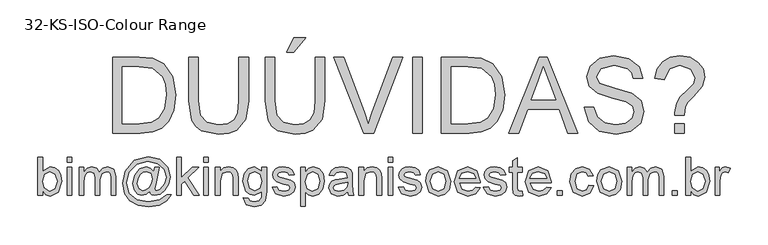
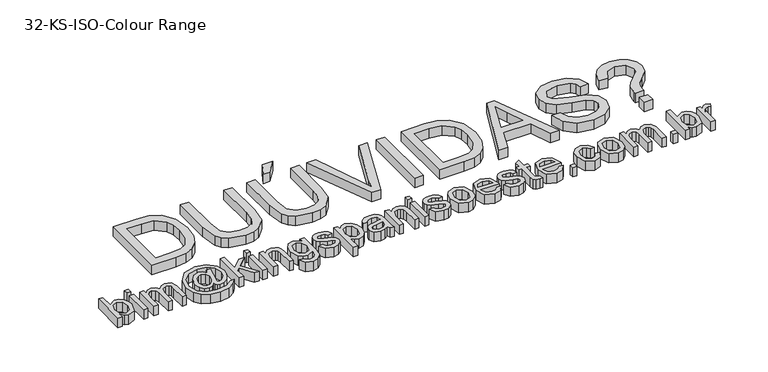
"""IFC4 building model written with IfcOpenShell, lengths in millimetres: proxy geometry, 32-KS-ISO-Colour Range."""

from ifc_helpers import new_model, si_unit, origin, origin_with_axes, place, context, project, spatial, polyline, outline, extrude, source, transform, mapped, element, save


def proxy_32_ks_iso_colour_range_b4f9975d(model_context):
    return source(origin(), model_context, "Body", "SweptSolid", [
        extrude(outline(polyline([(-453.6983218, 38.0446852), (-459.9768412, 38.0446852), (-459.9768412, 88.2728402), (-453.6983218, 88.2728402), (-453.6983218, 69.6457485), (-443.8390844, 75.7158015), (-437.5483022, 74.3485067), (-432.6677344, 70.5041399), (-429.6694962, 64.5260574), (-428.5842443, 57.0396588), (-433.078536, 42.4224809), (-443.8758726, 37.2598702), (-449.4584818, 38.9245363), (-453.6983218, 43.9185343), (-453.6983218, 38.0446852)]), holes=[polyline([(-453.6983218, 56.7453532), (-451.9815392, 47.9652363), (-444.4154328, 43.5383896), (-437.695455, 46.8002766), (-434.8627637, 56.524624), (-437.5789591, 66.2857597), (-444.1456527, 69.4372821), (-450.8656305, 66.1753951), (-453.6983218, 56.7453532)])]), origin_with_axes(), (0.0, 0.0, 1.0), 15.0),
        extrude(outline(polyline([(-421.52091, 38.0446852), (-421.52091, 74.9309865), (-415.2423906, 74.9309865), (-415.2423906, 38.0446852), (-421.52091, 38.0446852)])), origin_with_axes(), (0.0, 0.0, 1.0), 15.0),
        extrude(outline(polyline([(-421.52091, 81.9943208), (-421.52091, 88.2728402), (-415.2423906, 88.2728402), (-415.2423906, 81.9943208), (-421.52091, 81.9943208)])), origin_with_axes(), (0.0, 0.0, 1.0), 15.0),
        extrude(outline(polyline([(-405.8246115, 38.0446852), (-405.8246115, 74.9309865), (-399.5460921, 74.9309865), (-399.5460921, 68.8609336), (-395.2296101, 73.8334719), (-389.0859807, 75.7158015), (-382.7951986, 73.7966837), (-379.3371079, 68.4194752), (-374.438146, 73.8917199), (-368.2515971, 75.7158015), (-360.0416972, 72.680775), (-357.1660863, 63.330441), (-357.1660863, 38.0446852), (-363.4446057, 38.0446852), (-363.4446057, 60.6326397), (-364.0270855, 65.8749581), (-366.1362756, 68.4562634), (-369.7231251, 69.4372821), (-375.8974112, 66.9234218), (-378.3560892, 58.8668061), (-378.3560892, 38.0446852), (-384.6346086, 38.0446852), (-384.6346086, 61.3316155), (-386.0877425, 67.4139311), (-390.8518143, 69.4372821), (-395.4993902, 68.0883814), (-398.5895989, 64.1397813), (-399.5460921, 56.6472514), (-399.5460921, 38.0446852), (-405.8246115, 38.0446852)])), origin_with_axes(), (0.0, 0.0, 1.0), 15.0),
        extrude(outline(polyline([(-312.4316357, 43.795907), (-317.3796485, 39.6204464), (-322.8794843, 38.0446852), (-328.7655963, 39.8473069), (-333.4070408, 45.3900623), (-335.1912684, 53.6060936), (-332.4260221, 64.6425534), (-325.5466288, 72.9444238), (-317.5574581, 75.7158015), (-311.9288636, 74.1400402), (-307.3058132, 69.3391802), (-306.1531163, 74.9309865), (-299.8745969, 74.9309865), (-305.0739958, 51.9015736), (-306.1531163, 46.5918102), (-305.4480091, 44.9915235), (-303.7496206, 44.3232045), (-298.9548919, 46.3097673), (-292.7438176, 53.2688684), (-290.4568178, 62.2881086), (-293.3998738, 72.4171262), (-302.1861221, 79.9525758), (-315.0926488, 82.7791358), (-329.8201913, 79.1922863), (-340.1576754, 68.9099846), (-343.8242326, 54.5625867), (-340.1944636, 40.7363551), (-329.6914326, 32.1769673), (-314.4672494, 29.411721), (-299.4944522, 32.1585732), (-290.4568178, 38.8295001), (-284.1782984, 38.8295001), (-290.1195927, 31.3614956), (-300.144377, 25.346625), (-314.1484183, 23.1332016), (-328.0604891, 25.0891076), (-338.9191393, 30.9629567), (-345.6759053, 39.9944597), (-348.5331221, 53.9739755), (-345.1240823, 69.9032659), (-333.3395957, 84.1219051), (-314.8106059, 89.0576552), (-299.6538677, 85.5995644), (-289.0466035, 75.2866058), (-285.7479283, 62.4720496), (-287.4585796, 53.1493067), (-292.5905334, 44.9240785), (-298.9916801, 39.7645335), (-305.9569126, 38.0446852), (-309.6970462, 38.7681864), (-311.7939736, 40.8283256), (-312.4316357, 43.795907)]), holes=[polyline([(-328.9127491, 53.5079917), (-326.7115885, 46.738963), (-321.6654738, 44.3232045), (-317.6616914, 45.3900623), (-313.6456463, 48.5538475), (-310.5125179, 53.8758737), (-309.292376, 60.3505968), (-311.5793757, 67.0521805), (-317.1527879, 69.4372821), (-321.2362781, 68.4010811), (-324.9457549, 65.0778804), (-327.8274972, 59.5167309), (-328.9127491, 53.5079917)])]), origin_with_axes(), (0.0, 0.0, 1.0), 15.0),
        extrude(outline(polyline([(-277.1149641, 38.0446852), (-277.1149641, 88.2728402), (-270.8364448, 88.2728402), (-270.8364448, 61.2825645), (-256.7588271, 74.9309865), (-248.076812, 74.9309865), (-262.3261079, 61.1108863), (-247.2919971, 38.0446852), (-254.6251115, 38.0446852), (-266.826531, 56.7453532), (-270.8364448, 52.8580668), (-270.8364448, 38.0446852), (-277.1149641, 38.0446852)])), origin_with_axes(), (0.0, 0.0, 1.0), 15.0),
        extrude(outline(polyline([(-241.7982926, 38.0446852), (-241.7982926, 74.9309865), (-235.5197732, 74.9309865), (-235.5197732, 38.0446852), (-241.7982926, 38.0446852)])), origin_with_axes(), (0.0, 0.0, 1.0), 15.0),
        extrude(outline(polyline([(-241.7982926, 81.9943208), (-241.7982926, 88.2728402), (-235.5197732, 88.2728402), (-235.5197732, 81.9943208), (-241.7982926, 81.9943208)])), origin_with_axes(), (0.0, 0.0, 1.0), 15.0),
        extrude(outline(polyline([(-226.1019941, 38.0446852), (-226.1019941, 74.9309865), (-219.8234748, 74.9309865), (-219.8234748, 69.7806386), (-215.0226147, 74.2320107), (-208.4681838, 75.7158015), (-202.5391523, 74.520185), (-198.4924504, 71.3809253), (-196.6101209, 66.7640062), (-196.2790271, 60.6939533), (-196.2790271, 38.0446852), (-202.5575464, 38.0446852), (-202.5575464, 59.8478247), (-203.2810477, 65.4028429), (-205.8378276, 68.3397675), (-210.1481783, 69.4372821), (-216.9601266, 66.9724727), (-219.8234748, 57.6160073), (-219.8234748, 38.0446852), (-226.1019941, 38.0446852)])), origin_with_axes(), (0.0, 0.0, 1.0), 15.0),
        extrude(outline(polyline([(-189.2156928, 34.9054255), (-182.9371734, 34.1206105), (-180.9015597, 30.8096726), (-174.8069813, 29.411721), (-168.3813091, 30.9936136), (-165.3156258, 35.432723), (-164.8864301, 42.7535747), (-174.6966167, 38.0446852), (-181.169807, 39.4150456), (-185.9967253, 43.5261269), (-190.0005077, 56.6717768), (-188.2040173, 66.4022556), (-183.0046184, 73.2877803), (-175.003185, 75.7158015), (-164.8864301, 70.222097), (-164.8864301, 74.9309865), (-158.6079108, 74.9309865), (-158.6079108, 43.0846685), (-160.3246934, 30.8893803), (-165.7632156, 25.2178663), (-174.9296086, 23.1332016), (-185.3713259, 26.0701262), (-189.2156928, 34.9054255)]), holes=[polyline([(-183.7219883, 57.1009725), (-181.0425811, 47.3827565), (-174.316472, 44.3232045), (-167.6026255, 47.3643624), (-164.8864301, 56.9170315), (-167.6823333, 66.2796283), (-174.4145738, 69.4372821), (-181.0057929, 66.3286792), (-183.7219883, 57.1009725)])]), origin_with_axes(), (0.0, 0.0, 1.0), 15.0),
        extrude(outline(polyline([(-151.5445765, 49.0320941), (-145.2660571, 49.816909), (-142.3597893, 45.1570704), (-135.7011252, 43.5383896), (-129.2999785, 45.0221803), (-127.2153138, 48.5047966), (-129.3122412, 51.3252252), (-135.7747016, 53.1155842), (-145.2292689, 56.1873989), (-149.3556786, 59.7742483), (-150.7597615, 64.8387571), (-149.6315901, 69.5169898), (-146.5536441, 73.0915766), (-142.5621244, 74.9493806), (-137.1603904, 75.7158015), (-129.5207077, 74.4833968), (-124.6646653, 71.1479334), (-122.5064243, 65.5132075), (-128.7849437, 64.7283925), (-131.1455198, 68.1926147), (-136.6698811, 69.4372821), (-142.6786204, 68.247797), (-144.4812421, 65.4764193), (-143.7332154, 63.649272), (-141.3910334, 62.2635832), (-135.9831681, 60.9269453), (-126.7677241, 57.9716266), (-122.4880302, 54.6239004), (-120.9367945, 49.1669841), (-122.7578103, 43.1582449), (-128.0123915, 38.7988432), (-135.7869643, 37.2598702), (-146.737585, 40.2274517), (-151.5445765, 49.0320941)])), origin_with_axes(), (0.0, 0.0, 1.0), 15.0),
        extrude(outline(polyline([(-113.8734601, 23.9180165), (-113.8734601, 74.9309865), (-107.5949408, 74.9309865), (-107.5949408, 68.7750945), (-103.2539332, 73.9806247), (-97.3923468, 75.7158015), (-89.4338329, 73.2877803), (-84.2344341, 66.4451752), (-82.4808632, 56.7698787), (-84.4612946, 46.5979415), (-90.2125165, 39.6694973), (-98.1526362, 37.2598702), (-103.6156838, 38.8724196), (-107.5949408, 42.9497784), (-107.5949408, 23.9180165), (-113.8734601, 23.9180165)]), holes=[polyline([(-107.5949408, 56.1935303), (-104.8787454, 46.6285984), (-98.2875263, 43.5383896), (-91.5614171, 46.738963), (-88.7593826, 56.6595141), (-91.4939721, 66.2489715), (-98.0300089, 69.4372821), (-104.6948044, 66.0466364), (-107.5949408, 56.1935303)])]), origin_with_axes(), (0.0, 0.0, 1.0), 15.0),
        extrude(outline(polyline([(-51.8730812, 42.7535747), (-57.9615282, 38.4984063), (-64.6876374, 37.2598702), (-73.8049795, 40.2397144), (-76.9871588, 47.8548717), (-75.7854109, 52.8212786), (-72.6277571, 56.4265222), (-68.2315673, 58.4866614), (-62.7991765, 59.4308918), (-51.9098694, 61.5891328), (-53.6021266, 67.6223976), (-60.5428336, 69.4372821), (-66.8949294, 68.2294029), (-69.9238245, 63.9435776), (-76.2023438, 64.7283925), (-73.4861484, 70.8597591), (-68.0169694, 74.4527399), (-59.7334932, 75.7158015), (-52.1244673, 74.5998927), (-47.8263793, 71.7978582), (-45.9011302, 67.5365584), (-45.5945618, 62.042854), (-45.5945618, 54.2314929), (-45.2757308, 43.3237918), (-44.024932, 38.0446852), (-50.3034514, 38.0446852), (-51.8730812, 42.7535747)]), holes=[polyline([(-51.8730812, 55.3106135), (-62.0020988, 53.3853644), (-67.4038328, 52.3675575), (-69.8502481, 50.7120885), (-70.7086394, 48.2963301), (-68.8385726, 44.899553), (-63.3509995, 43.5383896), (-56.9989037, 45.0405744), (-52.9031508, 48.6764748), (-51.9098694, 53.5325172), (-51.8730812, 55.3106135)])]), origin_with_axes(), (0.0, 0.0, 1.0), 15.0),
        extrude(outline(polyline([(-36.9615977, 38.0446852), (-36.9615977, 74.9309865), (-30.6830783, 74.9309865), (-30.6830783, 69.7806386), (-25.8822183, 74.2320107), (-19.3277874, 75.7158015), (-13.3987559, 74.520185), (-9.3520539, 71.3809253), (-7.4697244, 66.7640062), (-7.1386306, 60.6939533), (-7.1386306, 38.0446852), (-13.41715, 38.0446852), (-13.41715, 59.8478247), (-14.1406513, 65.4028429), (-16.6974311, 68.3397675), (-21.0077818, 69.4372821), (-27.8197301, 66.9724727), (-30.6830783, 57.6160073), (-30.6830783, 38.0446852), (-36.9615977, 38.0446852)])), origin_with_axes(), (0.0, 0.0, 1.0), 15.0),
        extrude(outline(polyline([(1.4943335, 81.9943208), (1.4943335, 88.2728402), (7.7728529, 88.2728402), (7.7728529, 81.9943208), (1.4943335, 81.9943208)])), origin_with_axes(), (0.0, 0.0, 1.0), 15.0),
        extrude(outline(polyline([(1.4943335, 38.0446852), (1.4943335, 74.9309865), (7.7728529, 74.9309865), (7.7728529, 38.0446852), (1.4943335, 38.0446852)])), origin_with_axes(), (0.0, 0.0, 1.0), 15.0),
        extrude(outline(polyline([(14.8361872, 49.0320941), (21.1147066, 49.816909), (24.0209744, 45.1570704), (30.6796385, 43.5383896), (37.0807852, 45.0221803), (39.1654498, 48.5047966), (37.0685225, 51.3252252), (30.6060621, 53.1155842), (21.1514948, 56.1873989), (17.0250851, 59.7742483), (15.6210022, 64.8387571), (16.7491736, 69.5169898), (19.8271196, 73.0915766), (23.8186393, 74.9493806), (29.2203732, 75.7158015), (36.860056, 74.4833968), (41.7160983, 71.1479334), (43.8743394, 65.5132075), (37.59582, 64.7283925), (35.2352439, 68.1926147), (29.7108826, 69.4372821), (23.7021433, 68.247797), (21.8995215, 65.4764193), (22.6475483, 63.649272), (24.9897303, 62.2635832), (30.3975956, 60.9269453), (39.6130396, 57.9716266), (43.8927335, 54.6239004), (45.4439692, 49.1669841), (43.6229534, 43.1582449), (38.3683722, 38.7988432), (30.5937994, 37.2598702), (19.6431786, 40.2274517), (14.8361872, 49.0320941)])), origin_with_axes(), (0.0, 0.0, 1.0), 15.0),
        extrude(outline(polyline([(50.9376737, 56.4878358), (52.2957714, 65.3813831), (56.3700645, 71.6323113), (67.4310498, 75.7158015), (79.2952442, 70.7432632), (83.8999005, 57.0028706), (81.8642868, 45.8315207), (75.9352553, 39.5100818), (67.4310498, 37.2598702), (55.4932791, 42.2140144), (50.9376737, 56.4878358)]), holes=[polyline([(57.2161931, 56.5000986), (60.1224608, 46.7696198), (67.4310498, 43.5383896), (74.7151133, 46.7880139), (77.6213811, 56.6963023), (74.6967192, 66.2060519), (67.4310498, 69.4372821), (60.1224608, 66.2183146), (57.2161931, 56.5000986)])]), origin_with_axes(), (0.0, 0.0, 1.0), 15.0),
        extrude(outline(polyline([(116.7885508, 49.0320941), (122.9444429, 48.2472792), (117.1870897, 40.1416125), (106.4633295, 37.2598702), (93.4280441, 42.2324085), (88.60879, 56.1812675), (93.4770951, 70.589979), (106.1077102, 75.7158015), (118.3765748, 70.6022417), (123.1406466, 56.2180557), (123.1038584, 54.5257985), (94.8873094, 54.5257985), (98.4986843, 46.371081), (106.5859568, 43.5383896), (112.7418489, 44.8505021), (116.7885508, 49.0320941)]), holes=[polyline([(94.8873094, 60.8043179), (116.8621272, 60.8043179), (114.3482669, 66.4942261), (106.0831848, 69.4372821), (98.3515315, 67.0889687), (94.8873094, 60.8043179)])]), origin_with_axes(), (0.0, 0.0, 1.0), 15.0),
        extrude(outline(polyline([(127.0647212, 49.0320941), (133.3432406, 49.816909), (136.2495084, 45.1570704), (142.9081725, 43.5383896), (149.3093192, 45.0221803), (151.3939838, 48.5047966), (149.2970565, 51.3252252), (142.8345961, 53.1155842), (133.3800288, 56.1873989), (129.2536191, 59.7742483), (127.8495362, 64.8387571), (128.9777076, 69.5169898), (132.0556536, 73.0915766), (136.0471733, 74.9493806), (141.4489072, 75.7158015), (149.08859, 74.4833968), (153.9446323, 71.1479334), (156.1028734, 65.5132075), (149.824354, 64.7283925), (147.4637779, 68.1926147), (141.9394166, 69.4372821), (135.9306773, 68.247797), (134.1280555, 65.4764193), (134.8760823, 63.649272), (137.2182643, 62.2635832), (142.6261296, 60.9269453), (151.8415736, 57.9716266), (156.1212675, 54.6239004), (157.6725032, 49.1669841), (155.8514874, 43.1582449), (150.5969062, 38.7988432), (142.8223334, 37.2598702), (131.8717126, 40.2274517), (127.0647212, 49.0320941)])), origin_with_axes(), (0.0, 0.0, 1.0), 15.0),
        extrude(outline(polyline([(178.0776912, 43.2808722), (178.8625061, 37.8607442), (174.1658793, 37.2598702), (168.9051668, 38.3022026), (166.2809419, 41.036792), (165.5206525, 48.16144), (165.5206525, 68.6524672), (160.8117629, 68.6524672), (160.8117629, 74.9309865), (165.5206525, 74.9309865), (165.5206525, 83.8950445), (171.7991718, 87.5861272), (171.7991718, 74.9309865), (178.0776912, 74.9309865), (178.0776912, 68.6524672), (171.7991718, 68.6524672), (171.7991718, 48.345381), (172.1302656, 45.1080195), (175.3431017, 43.5383896), (178.0776912, 43.2808722)])), origin_with_axes(), (0.0, 0.0, 1.0), 15.0),
        extrude(outline(polyline([(210.1815267, 49.0320941), (216.3374187, 48.2472792), (210.5800655, 40.1416125), (199.8563053, 37.2598702), (186.82102, 42.2324085), (182.0017658, 56.1812675), (186.8700709, 70.589979), (199.5006861, 75.7158015), (211.7695506, 70.6022417), (216.5336225, 56.2180557), (216.4968343, 54.5257985), (188.2802852, 54.5257985), (191.8916601, 46.371081), (199.9789327, 43.5383896), (206.1348247, 44.8505021), (210.1815267, 49.0320941)]), holes=[polyline([(188.2802852, 60.8043179), (210.2551031, 60.8043179), (207.7412428, 66.4942261), (199.4761606, 69.4372821), (191.7445073, 67.0889687), (188.2802852, 60.8043179)])]), origin_with_axes(), (0.0, 0.0, 1.0), 15.0),
        extrude(outline(polyline([(224.3817717, 38.0446852), (224.3817717, 44.3232045), (230.6602911, 44.3232045), (230.6602911, 38.0446852), (224.3817717, 38.0446852)])), origin_with_axes(), (0.0, 0.0, 1.0), 15.0),
        extrude(outline(polyline([(265.9769626, 51.3865388), (272.255482, 50.6017239), (267.2154987, 40.7976688), (257.2581593, 37.2598702), (245.3571768, 42.1956203), (240.8628851, 56.3529458), (242.7820028, 66.7824003), (248.6313265, 73.483984), (257.1723202, 75.7158015), (266.718858, 72.6501182), (271.4706671, 63.9435776), (265.1921477, 63.1587627), (262.2797486, 67.8615209), (257.2213711, 69.4372821), (249.943439, 66.3348106), (247.1414045, 56.524624), (249.8821253, 46.622467), (257.0496929, 43.5383896), (262.9664616, 45.4636387), (265.9769626, 51.3865388)])), origin_with_axes(), (0.0, 0.0, 1.0), 15.0),
        extrude(outline(polyline([(276.1795566, 56.4878358), (277.5376543, 65.3813831), (281.6119474, 71.6323113), (292.6729327, 75.7158015), (304.5371271, 70.7432632), (309.1417834, 57.0028706), (307.1061697, 45.8315207), (301.1771382, 39.5100818), (292.6729327, 37.2598702), (280.735162, 42.2140144), (276.1795566, 56.4878358)]), holes=[polyline([(282.458076, 56.5000986), (285.3643438, 46.7696198), (292.6729327, 43.5383896), (299.9569962, 46.7880139), (302.863264, 56.6963023), (299.9386021, 66.2060519), (292.6729327, 69.4372821), (285.3643438, 66.2183146), (282.458076, 56.5000986)])]), origin_with_axes(), (0.0, 0.0, 1.0), 15.0),
        extrude(outline(polyline([(316.2051177, 38.0446852), (316.2051177, 74.9309865), (322.4836371, 74.9309865), (322.4836371, 68.8609336), (326.8001191, 73.8334719), (332.9437485, 75.7158015), (339.2345306, 73.7966837), (342.6926213, 68.4194752), (347.5915832, 73.8917199), (353.7781321, 75.7158015), (361.988032, 72.680775), (364.8636429, 63.330441), (364.8636429, 38.0446852), (358.5851235, 38.0446852), (358.5851235, 60.6326397), (358.0026437, 65.8749581), (355.8934536, 68.4562634), (352.3066041, 69.4372821), (346.132318, 66.9234218), (343.67364, 58.8668061), (343.67364, 38.0446852), (337.3951206, 38.0446852), (337.3951206, 61.3316155), (335.9419867, 67.4139311), (331.1779149, 69.4372821), (326.530339, 68.0883814), (323.4401303, 64.1397813), (322.4836371, 56.6472514), (322.4836371, 38.0446852), (316.2051177, 38.0446852)])), origin_with_axes(), (0.0, 0.0, 1.0), 15.0),
        extrude(outline(polyline([(375.8510518, 38.0446852), (375.8510518, 44.3232045), (382.1295712, 44.3232045), (382.1295712, 38.0446852), (375.8510518, 38.0446852)])), origin_with_axes(), (0.0, 0.0, 1.0), 15.0),
        extrude(outline(polyline([(400.1803144, 38.0446852), (393.9017951, 38.0446852), (393.9017951, 88.2728402), (400.1803144, 88.2728402), (400.1803144, 69.6457485), (410.0395519, 75.7158015), (416.330334, 74.3485067), (421.2109018, 70.5041399), (424.2091401, 64.5260574), (425.294392, 57.0396588), (420.8001003, 42.4224809), (410.0027637, 37.2598702), (404.4201544, 38.9245363), (400.1803144, 43.9185343), (400.1803144, 38.0446852)]), holes=[polyline([(400.1803144, 56.7453532), (401.8970971, 47.9652363), (409.4632035, 43.5383896), (416.1831812, 46.8002766), (419.0158726, 56.524624), (416.2996772, 66.2857597), (409.7329836, 69.4372821), (403.0130058, 66.1753951), (400.1803144, 56.7453532)])]), origin_with_axes(), (0.0, 0.0, 1.0), 15.0),
        extrude(outline(polyline([(432.3577263, 38.0446852), (432.3577263, 74.9309865), (437.8514308, 74.9309865), (437.8514308, 69.4740703), (441.7509799, 74.5017909), (445.6750545, 75.7158015), (451.9780994, 73.7782896), (449.881172, 68.1496951), (445.4665881, 69.4372821), (441.9165268, 68.198746), (439.6540525, 64.7651807), (438.6362457, 57.4320663), (438.6362457, 38.0446852), (432.3577263, 38.0446852)])), origin_with_axes(), (0.0, 0.0, 1.0), 15.0),
        extrude(outline(polyline([(-361.4711747, 120.0), (-361.4711747, 220.4563101), (-326.8166908, 220.4563101), (-308.8885749, 219.0093076), (-294.1242442, 211.823346), (-282.229393, 194.6555196), (-278.2807929, 170.7677153), (-280.9540687, 150.4974174), (-287.8211993, 135.8679767), (-296.9937237, 126.756766), (-308.9989395, 121.7167826), (-325.1489591, 120.0), (-361.4711747, 120.0)]), holes=[polyline([(-348.914136, 132.5570388), (-326.6940635, 132.5570388), (-310.5317812, 134.3719233), (-301.2121039, 139.4977457), (-293.5724212, 151.9689454), (-290.8378317, 170.9639191), (-292.1775353, 184.6491293), (-296.1966461, 194.7536214), (-309.2319314, 205.8881831), (-327.03742, 207.8992714), (-348.914136, 207.8992714), (-348.914136, 132.5570388)])]), origin_with_axes(), (0.0, 0.0, 1.0), 15.0),
        extrude(outline(polyline([(-195.0904111, 220.4563101), (-182.5333723, 220.4563101), (-182.5333723, 162.5026332), (-185.9424121, 138.4799389), (-198.2296708, 124.0099137), (-208.4935784, 119.8252561), (-221.5288638, 118.4303702), (-244.4724376, 123.2864125), (-252.1121203, 129.2307724), (-257.2011546, 137.3517674), (-261.0148646, 162.5026332), (-261.0148646, 220.4563101), (-248.4578258, 220.4563101), (-248.4578258, 162.9440916), (-245.9807537, 143.8019651), (-237.4704169, 134.3228723), (-222.7060862, 130.9874089), (-209.9344496, 132.6367465), (-201.4425068, 137.5847594), (-196.678435, 147.2232676), (-195.0904111, 162.9440916), (-195.0904111, 220.4563101)])), origin_with_axes(), (0.0, 0.0, 1.0), 15.0),
        extrude(outline(polyline([(-94.6341009, 220.4563101), (-82.0770621, 220.4563101), (-82.0770621, 162.5026332), (-85.486102, 138.4799389), (-97.7733606, 124.0099137), (-108.0372683, 119.8252561), (-121.0725536, 118.4303702), (-144.0161274, 123.2864125), (-151.6558102, 129.2307724), (-156.7448444, 137.3517674), (-160.5585545, 162.5026332), (-160.5585545, 220.4563101), (-148.0015157, 220.4563101), (-148.0015157, 162.9440916), (-145.5244436, 143.8019651), (-137.0141068, 134.3228723), (-122.249776, 130.9874089), (-109.4781394, 132.6367465), (-100.9861967, 137.5847594), (-96.2221249, 147.2232676), (-94.6341009, 162.9440916), (-94.6341009, 220.4563101)])), origin_with_axes(), (0.0, 0.0, 1.0), 15.0),
        extrude(outline(polyline([(-132.3052172, 226.7348295), (-122.8874381, 245.5703877), (-107.1911397, 245.5703877), (-122.8874381, 226.7348295), (-132.3052172, 226.7348295)])), origin_with_axes(), (0.0, 0.0, 1.0), 15.0),
        extrude(outline(polyline([(-30.42643, 120.0), (-70.4029402, 220.4563101), (-56.9629846, 220.4563101), (-30.2057008, 148.081659), (-24.7855728, 131.7722238), (-19.4390211, 148.081659), (7.3918391, 220.4563101), (20.8317946, 220.4563101), (-17.4524583, 120.0), (-30.42643, 120.0)])), origin_with_axes(), (0.0, 0.0, 1.0), 15.0),
        extrude(outline(polyline([(34.0755465, 120.0), (34.0755465, 220.4563101), (46.6325852, 220.4563101), (46.6325852, 120.0), (34.0755465, 120.0)])), origin_with_axes(), (0.0, 0.0, 1.0), 15.0),
        extrude(outline(polyline([(71.7466628, 120.0), (71.7466628, 220.4563101), (106.4011467, 220.4563101), (124.3292626, 219.0093076), (139.0935934, 211.823346), (150.9884445, 194.6555196), (154.9370446, 170.7677153), (152.2637688, 150.4974174), (145.3966382, 135.8679767), (136.2241138, 126.756766), (124.218898, 121.7167826), (108.0688784, 120.0), (71.7466628, 120.0)]), holes=[polyline([(84.3037015, 132.5570388), (106.523774, 132.5570388), (122.6860564, 134.3719233), (132.0057336, 139.4977457), (139.6454163, 151.9689454), (142.3800058, 170.9639191), (141.0403022, 184.6491293), (137.0211914, 194.7536214), (123.9859061, 205.8881831), (106.1804175, 207.8992714), (84.3037015, 207.8992714), (84.3037015, 132.5570388)])]), origin_with_axes(), (0.0, 0.0, 1.0), 15.0),
        extrude(outline(polyline([(160.5043255, 120.0), (200.6034629, 220.4563101), (211.2965663, 220.4563101), (251.3957037, 120.0), (238.1274265, 120.0), (226.6249827, 151.3925969), (185.250521, 151.3925969), (173.7726028, 120.0), (160.5043255, 120.0)]), holes=[polyline([(189.8613087, 163.9496357), (222.0387205, 163.9496357), (212.9888235, 188.6467803), (205.9500146, 207.8992714), (199.6960207, 190.8050213), (189.8613087, 163.9496357)])]), origin_with_axes(), (0.0, 0.0, 1.0), 15.0),
        extrude(outline(polyline([(260.1022443, 154.5318566), (272.6592831, 154.5318566), (276.705985, 141.9625551), (286.589748, 134.016304), (301.6483843, 130.9874089), (314.7695088, 133.28054), (323.2430574, 139.5835849), (326.0266978, 148.0080826), (323.9420332, 155.8439691), (315.4071709, 161.54614), (297.1234357, 166.3408687), (277.441749, 172.5335489), (266.7609084, 181.8777516), (263.241504, 194.361214), (267.5947743, 208.5737217), (280.3112286, 218.6046374), (298.9260575, 222.02594), (318.7916853, 218.4452219), (332.0354371, 207.9237968), (337.0141068, 192.2029729), (324.457068, 192.2029729), (322.1516742, 199.6955029), (317.3446828, 205.1033682), (299.4165669, 209.4689012), (281.4394, 205.1524192), (275.7985428, 194.729096), (279.7961938, 186.0225554), (300.2994836, 179.008272), (322.5195561, 172.7052272), (334.6719247, 162.5271586), (338.5837366, 148.3269136), (334.0833135, 133.3050655), (321.1338673, 122.342182), (302.1388936, 118.4303702), (279.7103546, 122.6487504), (265.5223724, 135.3529419), (260.1022443, 154.5318566)])), origin_with_axes(), (0.0, 0.0, 1.0), 15.0),
        extrude(outline(polyline([(379.3941126, 120.0), (379.3941126, 132.5570388), (391.9511514, 132.5570388), (391.9511514, 120.0), (379.3941126, 120.0)])), origin_with_axes(), (0.0, 0.0, 1.0), 15.0),
        extrude(outline(polyline([(379.3941126, 143.5444477), (379.3205362, 147.2477931), (381.4297263, 159.8293573), (386.4329214, 167.8737103), (395.5441322, 176.5066745), (404.1035199, 185.3603678), (406.07782, 192.3010748), (400.2652845, 204.3062906), (386.0159885, 209.4689012), (372.4166174, 204.9071645), (365.267444, 190.6333431), (352.7104052, 192.2029729), (356.168496, 204.9592811), (363.060152, 214.3372063), (373.0542796, 220.1037566), (385.8197848, 222.02594), (399.2873315, 219.9780636), (409.7198517, 213.8344342), (416.406107, 204.7906685), (418.6348588, 194.0423829), (415.5691755, 181.6570224), (403.551697, 168.0208631), (395.7035477, 160.1114002), (392.981221, 154.2743392), (391.9511514, 143.5444477), (379.3941126, 143.5444477)])), origin_with_axes(), (0.0, 0.0, 1.0), 15.0),
    ])


if __name__ == "__main__":
    model = new_model("IFC4")
    model_context = context("Model", 3, world=origin())
    ifc_project = project(units=[si_unit("LENGTHUNIT", "METRE", prefix="MILLI")], contexts=[model_context])
    site = spatial("IfcSite", under=ifc_project)
    building = spatial("IfcBuilding", under=site)
    placement = place(None, origin())
    proxy_32_ks_iso_colour_range_shape = proxy_32_ks_iso_colour_range_b4f9975d(model_context)
    element("IfcBuildingElementProxy", 1, Name="32-KS-ISO-Colour Range", ObjectType="32-KS-ISO-Colour Range", at=placement, inside=building, context=model_context, shape_type="MappedRepresentation", body=[
        mapped(proxy_32_ks_iso_colour_range_shape, transform((0.0, 0.0, 0.0), x_axis=(1.0, 0.0, 0.0), y_axis=(0.0, 1.0, 0.0), z_axis=(0.0, 0.0, 1.0))),
    ])
    save(model, "model.ifc")
